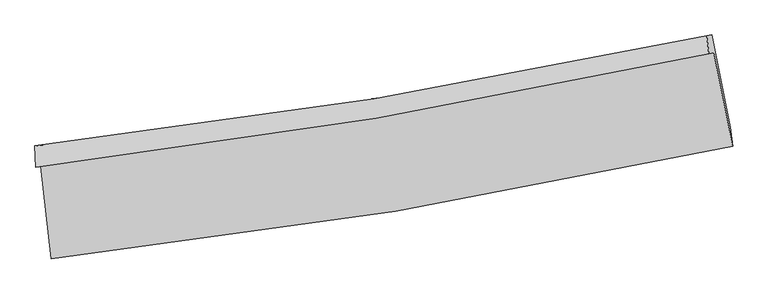
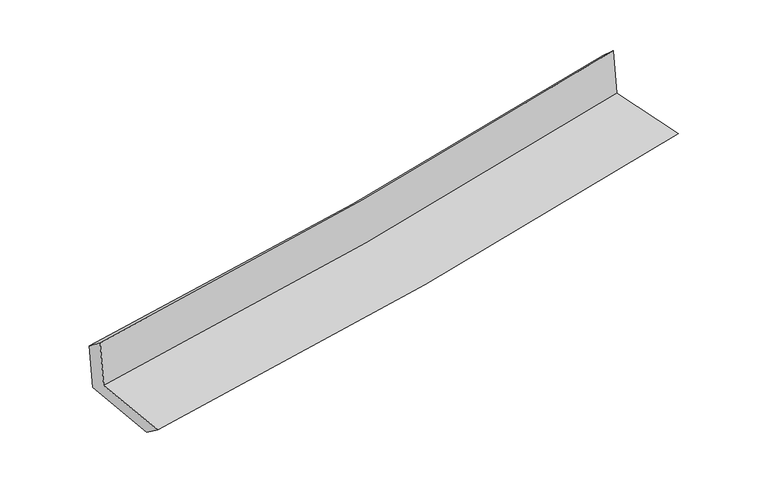
"""IFC4 building model written with IfcOpenShell, lengths in millimetres: proxy geometry."""

from ifc_helpers import new_model, si_unit, frame, origin, place, context, project, spatial, source, transform, mapped, element, save
from ifc_brep_helpers import plane_surface, spline_curve, spline_surface, advanced_brep


def generic_models_a33708b6(model_context):
    return source(origin(), model_context, "Body", "AdvancedBrep", [
        advanced_brep(
        [(-2397.7885547, -1878.3373112, 1678.0402907), (-2324.8532255, -2529.1495413, 1657.9136382), (2463.8781725, -1739.0240369, 2108.9926528), (2331.7744246, -1082.0760203, 2113.7710689), (-2432.3987778, -1888.1480329, 2070.0099168), (2297.2272243, -1091.8688774, 2505.0269455), (-2438.3821252, -1737.602925, 1955.0606584), (2282.1340832, -963.3256534, 2390.7037307), (-2404.2093897, -1732.3080234, 1573.31652), (2316.8829968, -957.9416373, 2006.7549342), (-2330.656634, -2382.582582, 1545.7621155), (2449.1231023, -1607.286951, 1984.1871502)],
        [
            (0, 1),
            (1, 2, spline_curve(3, [(-2324.8532255, -2529.1495413, 1657.9136382), (-1514.87421399, -2438.851360098, 1733.703439078), (-708.376071229, -2327.320521436, 1809.42038779), (887.782636146, -2063.426308511, 1959.778278337), (1677.528292929, -1911.581979252, 2034.421001216), (2463.8781725, -1739.0240369, 2108.9926528)], [4, 2, 4], [0.0, 8.000093404432812, 15.901798342116418])),
            (2, 3),
            (3, 0, spline_curve(3, [(2331.7744246, -1082.0760203, 2113.7710689), (1554.915199862, -1250.227239755, 2038.46636535), (774.814106503, -1400.359582455, 1964.718090208), (-801.625651636, -1666.231532253, 1819.435496068), (-1598.045551233, -1781.519619746, 1747.940178544), (-2397.7885547, -1878.3373112, 1678.0402907)], [4, 2, 4], [0.0, 7.901704937683606, 15.901798342116418])),
            (4, 0),
            (3, 5),
            (5, 4, spline_curve(3, [(2297.2272243, -1091.8688774, 2505.0269455), (1520.304580426, -1260.038073743, 2430.440478605), (740.166394251, -1410.180930925, 2357.112289079), (-836.295031044, -1676.059022583, 2212.075082874), (-1632.698845314, -1791.342550556, 2140.39759623), (-2432.3987778, -1888.1480329, 2070.0099168)], [4, 2, 4], [0.0, 7.853638748571173, 15.805067465379329])),
            (6, 4),
            (5, 7),
            (7, 6, spline_curve(3, [(2282.1340832, -963.3256534, 2390.7037307), (1507.050919077, -1131.002869887, 2314.438649662), (728.587947778, -1279.087343265, 2240.214433585), (-844.8327633, -1537.670724818, 2094.94893567), (-1639.875194641, -1647.678675248, 2023.958794521), (-2438.3821252, -1737.602925, 1955.0606584)], [4, 2, 4], [0.0, 7.843703845280665, 15.785073953862508])),
            (8, 6),
            (7, 9),
            (9, 8, spline_curve(3, [(2316.8829968, -957.9416373, 2006.7549342), (1541.627174368, -1125.648396477, 1931.71329653), (763.029917127, -1273.755067296, 1858.286041904), (-810.583814919, -1532.368337717, 1713.766117), (-1605.684019754, -1642.383795672, 1642.713900261), (-2404.2093897, -1732.3080234, 1573.31652)], [4, 2, 4], [0.0, 7.834089581841604, 15.765725714511426])),
            (10, 8),
            (9, 11),
            (11, 10, spline_curve(3, [(2449.1231023, -1607.286951, 1984.1871502), (1664.217417199, -1776.380262823, 1908.273211602), (875.935094945, -1925.260980815, 1833.99668245), (-717.240205128, -2184.199348055, 1687.813973587), (-1522.217794685, -2293.750506621, 1615.948824592), (-2330.656634, -2382.582582, 1545.7621155)], [4, 2, 4], [0.0, 7.8819742428337625, 15.862091274701672])),
            (1, 10),
            (11, 2),
        ],
        [
            spline_surface(3, 3, [[(-2397.7885547, -1878.3373112, 1678.0402907), (-1598.04555111, -1781.519619784, 1747.940178629), (-801.625651522, -1666.231532264, 1819.435496174), (774.81410639, -1400.359582444, 1964.718090103), (1554.91519988, -1250.227239669, 2038.466365299), (2331.7744246, -1082.0760203, 2113.7710689)], [(-2373.476778288, -2095.274721224, 1671.331406507), (-1570.321772021, -2000.630199916, 1743.194598747), (-770.542458118, -1886.594528603, 1816.097126687), (812.47028298, -1621.381824475, 1963.071486188), (1595.786230894, -1470.678819547, 2037.117910599), (2375.809007229, -1301.058692485, 2112.178263537)], [(-2349.165001912, -2312.212131276, 1664.622522393), (-1542.597992969, -2219.740780077, 1738.449018943), (-739.45926468, -2106.957525006, 1812.758757228), (850.126459604, -1842.40406657, 1961.424882302), (1636.65726192, -1691.13039947, 2035.769455889), (2419.843589871, -1520.041364715, 2110.585458163)], [(-2324.8532255, -2529.1495413, 1657.9136382), (-1514.87421388, -2438.851360209, 1733.703439062), (-708.376071276, -2327.320521345, 1809.42038774), (887.782636194, -2063.426308601, 1959.778278387), (1677.528292934, -1911.581979348, 2034.421001189), (2463.8781725, -1739.0240369, 2108.9926528)]], [4, 4], [4, 2, 4], [0.0, 2.1983908726215473], [0.0, 8.000093404432812, 15.901798342116418]),
            spline_surface(3, 3, [[(-2432.3987778, -1888.1480329, 2070.0099168), (-1632.698845326, -1791.342550557, 2140.39759613), (-836.295030997, -1676.059022603, 2212.075082805), (740.166394204, -1410.180930906, 2357.112289148), (1520.304580546, -1260.038073726, 2430.440478665), (2297.2272243, -1091.8688774, 2505.0269455)], [(-2420.862036765, -1884.877792337, 1939.353374797), (-1621.147747252, -1788.068240303, 2009.578456993), (-824.738571183, -1672.783192493, 2081.195220589), (751.715631588, -1406.907148089, 2226.314222795), (1531.841453656, -1256.767795725, 2299.782440882), (2308.742957732, -1088.604591717, 2374.608319973)], [(-2409.325295735, -1881.607551763, 1808.696832703), (-1609.596649183, -1784.793930038, 1878.759317766), (-813.182111336, -1669.507362373, 1950.315358389), (763.264869006, -1403.633365261, 2095.516156457), (1543.37832677, -1253.497517671, 2169.124403081), (2320.258691168, -1085.340305983, 2244.189694427)], [(-2397.7885547, -1878.3373112, 1678.0402907), (-1598.04555111, -1781.519619784, 1747.940178629), (-801.625651522, -1666.231532264, 1819.435496174), (774.81410639, -1400.359582444, 1964.718090103), (1554.91519988, -1250.227239669, 2038.466365299), (2331.7744246, -1082.0760203, 2113.7710689)]], [4, 4], [4, 2, 4], [0.0, 1.2932021307726558], [0.0, 7.951428716808156, 15.805067465379329]),
            spline_surface(3, 3, [[(-2438.3821252, -1737.602925, 1955.0606584), (-1639.875194761, -1647.678675292, 2023.958794602), (-844.83276331, -1537.670724831, 2094.948935779), (728.587947788, -1279.087343253, 2240.214433477), (1507.050919175, -1131.0028699, 2314.438649748), (2282.1340832, -963.3256534, 2390.7037307)], [(-2436.387676085, -1787.784627619, 1993.377077854), (-1637.4830783, -1695.5666337, 2062.771728432), (-841.98685253, -1583.800157437, 2133.99098481), (732.447429936, -1322.78520582, 2279.180385389), (1511.468806314, -1174.014604505, 2353.105926069), (2287.165130248, -1006.173394729, 2428.811468982)], [(-2434.393226915, -1837.966330281, 2031.693497346), (-1635.090961786, -1743.454592149, 2101.5846623), (-839.140941777, -1629.929589996, 2173.033033774), (736.306912056, -1366.483068339, 2318.146337235), (1515.886693408, -1217.026339121, 2391.773202343), (2292.196177252, -1049.021136071, 2466.919207218)], [(-2432.3987778, -1888.1480329, 2070.0099168), (-1632.698845326, -1791.342550557, 2140.39759613), (-836.295030997, -1676.059022603, 2212.075082805), (740.166394204, -1410.180930906, 2357.112289148), (1520.304580546, -1260.038073726, 2430.440478665), (2297.2272243, -1091.8688774, 2505.0269455)]], [4, 4], [4, 2, 4], [0.0, 0.5865297683654515], [0.0, 7.941370108581843, 15.785073953862508]),
            spline_surface(3, 3, [[(-2404.2093897, -1732.3080234, 1573.31652), (-1605.684019814, -1642.383795739, 1642.713900337), (-810.583814918, -1532.368337735, 1713.766117027), (763.029917126, -1273.755067279, 1858.286041878), (1541.627174365, -1125.648396601, 1931.713296553), (2316.8829968, -957.9416373, 2006.7549342)], [(-2415.600301508, -1734.07299062, 1700.564566141), (-1617.081078104, -1644.14875561, 1769.795531766), (-822.00013105, -1534.135800082, 1840.827056591), (751.549260679, -1275.532492586, 1985.595505724), (1530.10175596, -1127.433221036, 2059.288414266), (2305.300025591, -959.736309336, 2134.737866349)], [(-2426.991213392, -1735.83795778, 1827.812612259), (-1628.47813647, -1645.913715421, 1896.877163173), (-833.416447178, -1535.903262484, 1967.887996215), (740.068604236, -1277.309917946, 2112.90496963), (1518.576337581, -1129.218045465, 2186.863532034), (2293.717054409, -961.530981364, 2262.720798551)], [(-2438.3821252, -1737.602925, 1955.0606584), (-1639.875194761, -1647.678675292, 2023.958794602), (-844.83276331, -1537.670724831, 2094.948935779), (728.587947788, -1279.087343253, 2240.214433477), (1507.050919175, -1131.0028699, 2314.438649748), (2282.1340832, -963.3256534, 2390.7037307)]], [4, 4], [4, 2, 4], [0.0, 1.256989907471161], [0.0, 7.931636132669822, 15.765725714511426]),
            spline_surface(3, 3, [[(-2330.656634, -2382.582582, 1545.7621155), (-1522.217794727, -2293.750506702, 1615.948824596), (-717.240205009, -2184.199347923, 1687.813973673), (875.935094827, -1925.260980946, 1833.996682366), (1664.21741724, -1776.380262716, 1908.273211477), (2449.1231023, -1607.286951, 1984.1871502)], [(-2355.174219249, -2165.824395785, 1554.946917006), (-1550.039869772, -2076.628269699, 1624.870516516), (-748.354741633, -1966.922344524, 1696.46468814), (838.300035606, -1708.092343055, 1842.093135553), (1623.354002964, -1559.469640649, 1916.08657317), (2405.043067149, -1390.838513071, 1991.709744868)], [(-2379.691804451, -1949.066209615, 1564.131718494), (-1577.861944769, -1859.506032742, 1633.792208417), (-779.469278294, -1749.645341133, 1705.115402559), (800.664976348, -1490.923705171, 1850.189588691), (1582.490588641, -1342.559018668, 1923.899934859), (2360.963031951, -1174.390075229, 1999.232339532)], [(-2404.2093897, -1732.3080234, 1573.31652), (-1605.684019814, -1642.383795739, 1642.713900337), (-810.583814918, -1532.368337735, 1713.766117027), (763.029917126, -1273.755067279, 1858.286041878), (1541.627174365, -1125.648396601, 1931.713296553), (2316.8829968, -957.9416373, 2006.7549342)]], [4, 4], [4, 2, 4], [0.0, 2.166138542295953], [0.0, 7.98011703186791, 15.862091274701672]),
            spline_surface(3, 3, [[(-2324.8532255, -2529.1495413, 1657.9136382), (-1514.87421388, -2438.851360209, 1733.703439062), (-708.376071276, -2327.320521345, 1809.42038774), (887.782636194, -2063.426308601, 1959.778278387), (1677.528292934, -1911.581979348, 2034.421001189), (2463.8781725, -1739.0240369, 2108.9926528)], [(-2326.787695006, -2480.293888215, 1620.529797295), (-1517.322074168, -2390.484409055, 1694.451900901), (-711.330782517, -2279.61346356, 1768.88491638), (883.833455741, -2017.371199405, 1917.851079709), (1673.091334353, -1866.514740499, 1992.371737944), (2458.95981575, -1695.111674961, 2067.390818592)], [(-2328.722164494, -2431.438235085, 1583.145956405), (-1519.769934439, -2342.117457856, 1655.200362756), (-714.285493768, -2231.906405707, 1728.349445033), (879.884275279, -1971.316090142, 1875.923881044), (1668.654375821, -1821.447501565, 1950.322474723), (2454.04145905, -1651.199312939, 2025.788984408)], [(-2330.656634, -2382.582582, 1545.7621155), (-1522.217794727, -2293.750506702, 1615.948824596), (-717.240205009, -2184.199347923, 1687.813973673), (875.935094827, -1925.260980946, 1833.996682366), (1664.21741724, -1776.380262716, 1908.273211477), (2449.1231023, -1607.286951, 1984.1871502)]], [4, 4], [4, 2, 4], [0.0, 0.6154506088457866], [0.0, 8.03852102254955, 15.978180979564328]),
            plane_surface(frame((2356.8366673, -1240.2538627, 2184.9060804), z_axis=(0.976425132191604, 0.19568372775313478, 0.09111443308963688), x_axis=(-0.0901268451550242, -0.013964303782939481, 0.9958323905167276))),
            plane_surface(frame((-2388.0481178, -2024.6880693, 1746.6838566), z_axis=(-0.9900392439625076, -0.1081646907693591, -0.09012599561122853), x_axis=(-0.11131841433854922, 0.993309912233923, 0.03071854304792848))),
        ],
        [
            (0, [[1, 2, 3, 4]]),
            (1, [[5, -4, 6, 7]]),
            (2, [[8, -7, 9, 10]]),
            (3, [[11, -10, 12, 13]]),
            (4, [[14, -13, 15, 16]]),
            (5, [[17, -16, 18, -2]]),
            (6, [[-12, -9, -6, -3, -18, -15]]),
            (7, [[-1, -5, -8, -11, -14, -17]]),
        ],
    ),
    ])


if __name__ == "__main__":
    model = new_model("IFC4")
    model_context = context("Model", 3, world=origin())
    ifc_project = project(units=[si_unit("LENGTHUNIT", "METRE", prefix="MILLI")], contexts=[model_context])
    site = spatial("IfcSite", under=ifc_project)
    building = spatial("IfcBuilding", under=site)
    placement = place(None, origin())
    generic_models_shape = generic_models_a33708b6(model_context)
    element("IfcBuildingElementProxy", 1, Name="Generic Models", at=placement, inside=building, context=model_context, shape_type="MappedRepresentation", body=[
        mapped(generic_models_shape, transform((0.0, 0.0, 0.0), x_axis=(1.0, 0.0, 0.0), y_axis=(0.0, 1.0, 0.0), z_axis=(0.0, 0.0, 1.0))),
    ])
    save(model, "model.ifc")
